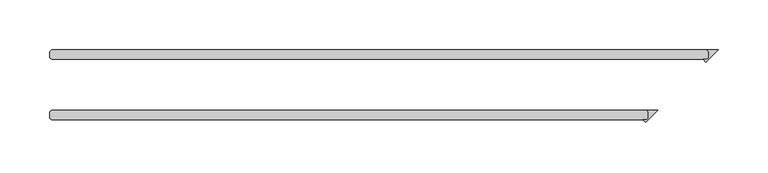
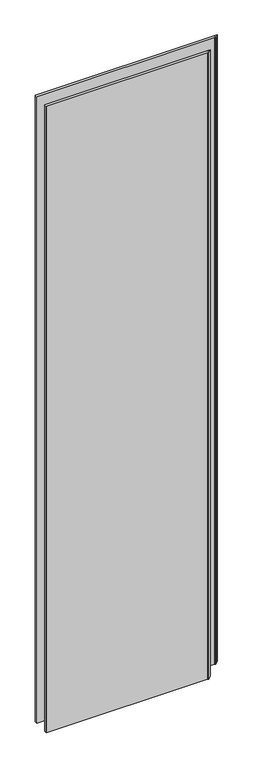
"""IFC4 building model written with IfcOpenShell, lengths in millimetres: plate geometry."""

from ifc_helpers import new_model, si_unit, origin, origin_with_axes, place, context, project, spatial, polyline, outline, extrude, source, transform, mapped, element, save


def plate_3d41f551(model_context):
    return source(origin(), model_context, "Body", "SweptSolid", [
        extrude(outline(polyline([(342.503125, 33.3375), (340.915625, 34.925), (352.028125, 34.925), (339.793093, 22.689968), (337.083061, 25.4), (340.915625, 25.4), (342.503125, 26.9875), (342.503125, 33.3375)])), origin_with_axes(), (0.0, 0.0, 1.0), 2428.7789267),
        extrude(outline(polyline([(282.178125, -26.9875), (280.590625, -25.4), (291.703125, -25.4), (279.468093, -37.635032), (276.758061, -34.925), (280.590625, -34.925), (282.178125, -33.3375), (282.178125, -26.9875)])), origin_with_axes(), (0.0, 0.0, 1.0), 2428.7789267),
        extrude(outline(polyline([(280.590625, -25.4), (282.178125, -26.9875), (282.178125, -33.3375), (280.590625, -34.925), (-315.515625, -34.925), (-317.103125, -33.3375), (-317.103125, -26.9875), (-315.515625, -25.4), (280.590625, -25.4)])), origin_with_axes(), (0.0, 0.0, 1.0), 2428.7789267),
        extrude(outline(polyline([(340.915625, 34.925), (342.503125, 33.3375), (342.503125, 26.9875), (340.915625, 25.4), (-315.515625, 25.4), (-317.103125, 26.9875), (-317.103125, 33.3375), (-315.515625, 34.925), (340.915625, 34.925)])), origin_with_axes(), (0.0, 0.0, 1.0), 2428.7789267),
    ])


if __name__ == "__main__":
    model = new_model("IFC4")
    model_context = context("Model", 3, world=origin())
    ifc_project = project(units=[si_unit("LENGTHUNIT", "METRE", prefix="MILLI")], contexts=[model_context])
    site = spatial("IfcSite", under=ifc_project)
    building = spatial("IfcBuilding", under=site)
    placement = place(None, origin())
    plate_shape = plate_3d41f551(model_context)
    element("IfcPlate", 1, at=placement, inside=building, context=model_context, shape_type="MappedRepresentation", body=[
        mapped(plate_shape, transform((0.0, 0.0, 0.0), x_axis=(1.0, 0.0, 0.0), y_axis=(0.0, 1.0, 0.0), z_axis=(0.0, 0.0, 1.0))),
    ])
    save(model, "model.ifc")
